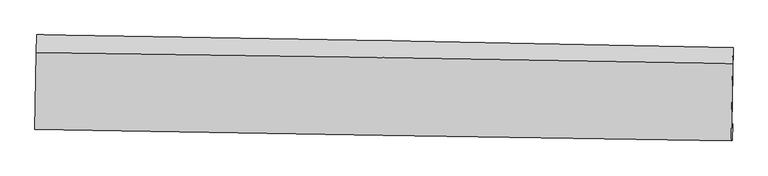
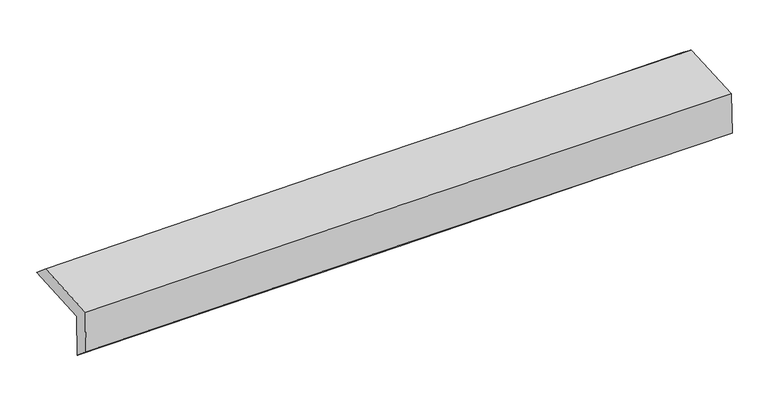
"""IFC4 building model written with IfcOpenShell, lengths in millimetres: proxy geometry."""

from ifc_helpers import new_model, si_unit, frame, origin, place, context, project, spatial, source, transform, mapped, element, save
from ifc_brep_helpers import plane_surface, spline_curve, spline_surface, advanced_brep


def generic_models_2f402b8d(model_context):
    return source(origin(), model_context, "Body", "AdvancedBrep", [
        advanced_brep(
        [(-3027.6069775, -1752.0771925, 1954.5719214), (-3016.2414473, -1077.9413512, 1978.6211901), (3015.8627107, -1187.6128325, 2131.2218551), (3004.376233, -1860.724188, 2113.4489453), (-3018.5196983, -1741.6196801, 1552.6668488), (3013.6838667, -1850.0130948, 1701.7982043), (-3024.2179724, -1895.9787475, 1686.9206717), (3008.608726, -1994.1499126, 1816.06607), (-3033.1661171, -1900.4192699, 2087.3388431), (2999.6604409, -1998.5905047, 2216.4905249), (-3021.8472415, -1233.6621895, 2107.6150619), (3011.0663601, -1326.7059721, 2236.9226705)],
        [
            (0, 1),
            (1, 2, spline_curve(3, [(-3016.2414473, -1077.9413512, 1978.6211901), (-2010.68059001, -1094.782767674, 1995.960189649), (-1005.227560349, -1112.342711942, 2017.346319837), (1005.473828226, -1148.899856555, 2068.213119629), (2010.72218441, -1167.897072821, 2097.693877653), (3015.8627107, -1187.6128325, 2131.2218551)], [4, 2, 4], [0.0, 9.900022963508746, 19.800154087532512])),
            (2, 3),
            (3, 0, spline_curve(3, [(3004.376233, -1860.724188, 2113.4489453), (1999.214200655, -1840.916663676, 2080.96495945), (993.965170409, -1821.958940284, 2051.483158424), (-1016.695901753, -1785.743293548, 1998.52421627), (-2022.107941894, -1768.485351629, 1975.047008973), (-3027.6069775, -1752.0771925, 1954.5719214)], [4, 2, 4], [0.0, 9.900131124023765, 19.800154087532512])),
            (4, 0),
            (3, 5),
            (5, 4, spline_curve(3, [(3013.6838667, -1850.0130948, 1701.7982043), (2008.409999739, -1830.33426793, 1674.260343813), (1003.086689617, -1811.46202468, 1648.063739738), (-1007.647832959, -1775.33090429, 1598.35331741), (-2013.059044756, -1758.072009064, 1574.839469318), (-3018.5196983, -1741.6196801, 1552.6668488)], [4, 2, 4], [0.0, 9.90007664965338, 19.80004513938688])),
            (6, 4),
            (5, 7),
            (7, 6, spline_curve(3, [(3008.608726, -1994.1499126, 1816.06607), (2003.026050764, -1979.579044624, 1798.39918005), (997.496409246, -1964.112630627, 1778.803549149), (-1013.445822453, -1931.38888913, 1735.755041008), (-2018.858413459, -1914.131581654, 1712.302205838), (-3024.2179724, -1895.9787475, 1686.9206717)], [4, 2, 4], [0.0, 9.899994480150175, 19.799880801278185])),
            (8, 6),
            (7, 9),
            (9, 8, spline_curve(3, [(2999.6604409, -1998.5905047, 2216.4905249), (1994.077044443, -1984.019994656, 2198.855917935), (988.547053483, -1968.553753801, 2179.275905032), (-1022.395131091, -1935.829989356, 2136.225301937), (-2027.807326496, -1918.57248526, 2112.754754483), (-3033.1661171, -1900.4192699, 2087.3388431)], [4, 2, 4], [0.0, 9.90002258777162, 19.799937016213995])),
            (10, 8),
            (9, 11),
            (11, 10, spline_curve(3, [(3011.0663601, -1326.7059721, 2236.9226705), (2005.552521892, -1308.038013109, 2219.412667804), (1000.050056367, -1290.95035147, 2199.881962575), (-1010.921143616, -1259.935791751, 2156.779382478), (-2016.389878817, -1246.008859407, 2133.207551259), (-3021.8472415, -1233.6621895, 2107.6150619)], [4, 2, 4], [0.0, 9.900026723583476, 19.799945287792525])),
            (1, 10),
            (11, 2),
        ],
        [
            spline_surface(3, 3, [[(-3027.6069775, -1752.0771925, 1954.5719214), (-2022.107941734, -1768.485351757, 1975.04700905), (-1016.695901706, -1785.743293611, 1998.524216167), (993.965170363, -1821.958940221, 2051.483158527), (1999.214200499, -1840.916663511, 2080.964959394), (3004.376233, -1860.724188, 2113.4489453)], [(-3023.818467438, -1527.365245393, 1962.588344267), (-2018.298824502, -1543.917823667, 1982.018069188), (-1012.873121217, -1561.276433052, 2004.798250688), (997.801389617, -1597.60591237, 2057.059812229), (2003.050195109, -1616.576799882, 2086.541265507), (3008.205058902, -1636.35373615, 2119.373248547)], [(-3020.029957362, -1302.653298307, 1970.604767233), (-2014.489707257, -1319.3502956, 1988.989129423), (-1009.050340733, -1336.80957244, 2011.072285259), (1001.637608867, -1373.252884467, 2062.636465983), (2006.886189712, -1392.236936303, 2092.117571677), (3012.033884798, -1411.98328435, 2125.297551853)], [(-3016.2414473, -1077.9413512, 1978.6211901), (-2010.680590026, -1094.78276751, 1995.960189561), (-1005.227560244, -1112.342711881, 2017.34631978), (1005.473828121, -1148.899856616, 2068.213119686), (2010.722184322, -1167.897072675, 2097.69387779), (3015.8627107, -1187.6128325, 2131.2218551)]], [4, 4], [4, 2, 4], [0.0, 2.20985056628415], [0.0, 9.900022963508746, 19.800154087532512]),
            spline_surface(3, 3, [[(-3018.5196983, -1741.6196801, 1552.6668488), (-2013.059044619, -1758.072008918, 1574.839469312), (-1007.647833053, -1775.330904191, 1598.353317318), (1003.086689711, -1811.46202478, 1648.06373983), (2008.409999777, -1830.334267782, 1674.260343686), (3013.6838667, -1850.0130948, 1701.7982043)], [(-3021.548791353, -1745.105517551, 1686.63520635), (-2016.075343644, -1761.543123183, 1708.241982574), (-1010.663855921, -1778.801700658, 1731.743616945), (1000.046183279, -1814.960996587, 1782.536879407), (2005.34473335, -1833.861733041, 1809.828548944), (3010.581322132, -1853.583459216, 1839.015117989)], [(-3024.577884447, -1748.591355049, 1820.60356385), (-2019.091642709, -1765.014237493, 1841.644495788), (-1013.679878839, -1782.272497144, 1865.13391654), (997.005676796, -1818.459968413, 1917.01001895), (2002.279466926, -1837.389198251, 1945.396754136), (3007.478777568, -1857.153823584, 1976.232031611)], [(-3027.6069775, -1752.0771925, 1954.5719214), (-2022.107941734, -1768.485351757, 1975.04700905), (-1016.695901706, -1785.743293611, 1998.524216167), (993.965170363, -1821.958940221, 2051.483158527), (1999.214200499, -1840.916663511, 2080.964959394), (3004.376233, -1860.724188, 2113.4489453)]], [4, 4], [4, 2, 4], [0.0, 1.319008615104834], [0.0, 9.899968489733501, 19.80004513938688]),
            spline_surface(3, 3, [[(-3024.2179724, -1895.9787475, 1686.9206717), (-2018.858413529, -1914.131581585, 1712.30220574), (-1013.445822419, -1931.38888924, 1735.755040953), (997.496409212, -1964.112630517, 1778.803549204), (2003.026050923, -1979.579044544, 1798.399180075), (3008.608726, -1994.1499126, 1816.06607)], [(-3022.318547726, -1844.525725048, 1642.169397411), (-2016.925290585, -1862.111724044, 1666.481293608), (-1011.513159318, -1879.36956088, 1689.954466389), (999.359836024, -1913.229095261, 1735.223612728), (2004.820700543, -1929.830785609, 1757.019567935), (3010.300439568, -1946.104306652, 1777.976781422)], [(-3020.419122974, -1793.072702552, 1597.418123089), (-2014.992167563, -1810.091866459, 1620.660381443), (-1009.580496154, -1827.350232551, 1644.153891882), (1001.223262899, -1862.345560036, 1691.643676307), (2006.615350158, -1880.082526717, 1715.639955827), (3011.992153132, -1898.058700748, 1739.887492878)], [(-3018.5196983, -1741.6196801, 1552.6668488), (-2013.059044619, -1758.072008918, 1574.839469312), (-1007.647833053, -1775.330904191, 1598.353317318), (1003.086689711, -1811.46202478, 1648.06373983), (2008.409999777, -1830.334267782, 1674.260343686), (3013.6838667, -1850.0130948, 1701.7982043)]], [4, 4], [4, 2, 4], [0.0, 0.6710310316214406], [0.0, 9.89988632112801, 19.799880801278185]),
            spline_surface(3, 3, [[(-3033.1661171, -1900.4192699, 2087.3388431), (-2027.807326456, -1918.572485218, 2112.754754337), (-1022.395131212, -1935.829989325, 2136.225301937), (988.547053605, -1968.553753832, 2179.275905032), (1994.077044393, -1984.019994654, 2198.855918057), (2999.6604409, -1998.5905047, 2216.4905249)], [(-3030.183402191, -1898.939095763, 1953.866119289), (-2024.824355471, -1917.092184003, 1979.27057146), (-1019.412028289, -1934.349622635, 2002.735214958), (991.530172133, -1967.073379399, 2045.785119772), (1997.060046584, -1982.539677953, 2065.370338739), (3002.643202614, -1997.110307335, 2083.01570661)], [(-3027.200687309, -1897.458921637, 1820.393395511), (-2021.841384513, -1915.6118828, 1845.786388616), (-1016.428925343, -1932.86925593, 1869.245127932), (994.513290684, -1965.59300495, 1912.294334464), (2000.043048732, -1981.059361245, 1931.884759393), (3005.625964286, -1995.630109965, 1949.54088829)], [(-3024.2179724, -1895.9787475, 1686.9206717), (-2018.858413529, -1914.131581585, 1712.30220574), (-1013.445822419, -1931.38888924, 1735.755040953), (997.496409212, -1964.112630517, 1778.803549204), (2003.026050923, -1979.579044544, 1798.399180075), (3008.608726, -1994.1499126, 1816.06607)]], [4, 4], [4, 2, 4], [0.0, 1.3142910422342413], [0.0, 9.899914428442376, 19.799937016213995]),
            spline_surface(3, 3, [[(-3021.8472415, -1233.6621895, 2107.6150619), (-2016.389878875, -1246.008859319, 2133.207551369), (-1010.921143773, -1259.935791777, 2156.779382345), (1000.050056524, -1290.950351443, 2199.881962707), (2005.55252193, -1308.038013193, 2219.412667912), (3011.0663601, -1326.7059721, 2236.9226705)], [(-3025.62020003, -1455.914549634, 2100.856322308), (-2020.195694732, -1470.196734619, 2126.389952366), (-1014.745806237, -1485.233857619, 2149.928022221), (996.215722234, -1516.818152232, 2193.013276828), (2001.727362726, -1533.365340353, 2212.560417946), (3007.264387008, -1550.667482973, 2230.111955285)], [(-3029.39315857, -1678.166909766, 2094.097582692), (-2024.001510599, -1694.384609918, 2119.57235334), (-1018.570468749, -1710.531923483, 2143.076662061), (992.381387896, -1742.685953044, 2186.144590911), (1997.902203597, -1758.692667494, 2205.708168024), (3003.462413992, -1774.628993827, 2223.301240115)], [(-3033.1661171, -1900.4192699, 2087.3388431), (-2027.807326456, -1918.572485218, 2112.754754337), (-1022.395131212, -1935.829989325, 2136.225301937), (988.547053605, -1968.553753832, 2179.275905032), (1994.077044393, -1984.019994654, 2198.855918057), (2999.6604409, -1998.5905047, 2216.4905249)]], [4, 4], [4, 2, 4], [0.0, 2.221650660629654], [0.0, 9.899918564209049, 19.799945287792525]),
            spline_surface(3, 3, [[(-3016.2414473, -1077.9413512, 1978.6211901), (-2010.680590026, -1094.78276751, 1995.960189561), (-1005.227560244, -1112.342711881, 2017.34631978), (1005.473828121, -1148.899856616, 2068.213119686), (2010.722184322, -1167.897072675, 2097.69387779), (3015.8627107, -1187.6128325, 2131.2218551)], [(-3018.110045362, -1129.848297312, 2021.619147375), (-2012.583686304, -1145.191464792, 2041.709310172), (-1007.125421426, -1161.540405181, 2063.824007298), (1003.66590425, -1196.25002156, 2112.102734023), (2008.998963533, -1214.61071952, 2138.266807844), (3014.263927175, -1233.977212373, 2166.455460247)], [(-3019.978643438, -1181.755243388, 2064.617104625), (-2014.486782596, -1195.600162038, 2087.458430758), (-1009.023282591, -1210.738098477, 2110.301694827), (1001.857980395, -1243.600186499, 2155.99234837), (2007.275742719, -1261.324366347, 2178.839737858), (3012.665143625, -1280.341592227, 2201.689065353)], [(-3021.8472415, -1233.6621895, 2107.6150619), (-2016.389878875, -1246.008859319, 2133.207551369), (-1010.921143773, -1259.935791777, 2156.779382345), (1000.050056524, -1290.950351443, 2199.881962707), (2005.55252193, -1308.038013193, 2219.412667912), (3011.0663601, -1326.7059721, 2236.9226705)]], [4, 4], [4, 2, 4], [0.0, 0.6510486776232522], [0.0, 9.899904698120508, 19.799917555463956]),
            plane_surface(frame((3008.8763896, -1702.9660841, 2035.9913783), z_axis=(0.9995991469463024, -0.017642560822438116, 0.022142390834128625), x_axis=(0.022340048816885182, 0.011086263185193974, -0.9996889601208206))),
            plane_surface(frame((-3023.599909, -1600.2830718, 1894.6224228), z_axis=(-0.999599146946287, 0.017642560822775332, -0.022142390834549032), x_axis=(-0.016846297690868168, -0.9992224630969401, -0.03564647944180303))),
        ],
        [
            (0, [[1, 2, 3, 4]]),
            (1, [[5, -4, 6, 7]]),
            (2, [[8, -7, 9, 10]]),
            (3, [[11, -10, 12, 13]]),
            (4, [[14, -13, 15, 16]]),
            (5, [[17, -16, 18, -2]]),
            (6, [[-12, -9, -6, -3, -18, -15]]),
            (7, [[-1, -5, -8, -11, -14, -17]]),
        ],
    ),
    ])


if __name__ == "__main__":
    model = new_model("IFC4")
    model_context = context("Model", 3, world=origin())
    ifc_project = project(units=[si_unit("LENGTHUNIT", "METRE", prefix="MILLI")], contexts=[model_context])
    site = spatial("IfcSite", under=ifc_project)
    building = spatial("IfcBuilding", under=site)
    placement = place(None, origin())
    generic_models_shape = generic_models_2f402b8d(model_context)
    element("IfcBuildingElementProxy", 1, Name="Generic Models", at=placement, inside=building, context=model_context, shape_type="MappedRepresentation", body=[
        mapped(generic_models_shape, transform((0.0, 0.0, 0.0), x_axis=(1.0, 0.0, 0.0), y_axis=(0.0, 1.0, 0.0), z_axis=(0.0, 0.0, 1.0))),
    ])
    save(model, "model.ifc")
